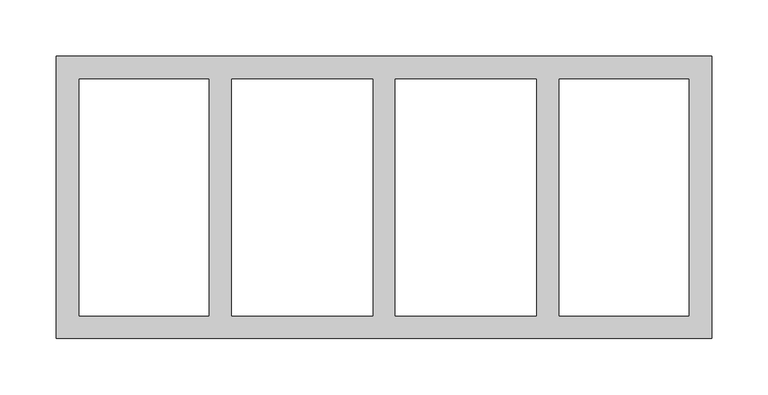
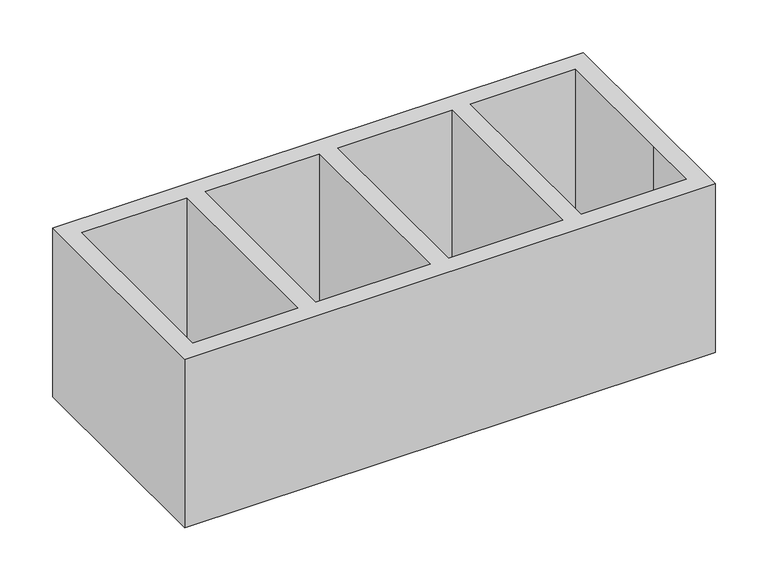
"""IFC4 building model written with IfcOpenShell, lengths in millimetres: proxy geometry."""

from ifc_helpers import new_model, si_unit, origin, origin_with_axes, place, context, project, spatial, polyline, outline, extrude, source, transform, mapped, element, save


def generic_models_b471ab28(model_context):
    return source(origin(), model_context, "Body", "SweptSolid", [
        extrude(outline(polyline([(-290.0, 125.0), (290.0, 125.0), (290.0, -125.0), (-290.0, -125.0), (-290.0, 125.0)]), holes=[polyline([(270.0, 105.0), (155.0, 105.0), (155.0, -105.0), (270.0, -105.0), (270.0, -42.5), (270.0, 105.0)]), polyline([(10.0, 105.0), (10.0, -105.0), (135.0, -105.0), (135.0, 105.0), (10.0, 105.0)]), polyline([(-135.0, -105.0), (-10.0, -105.0), (-10.0, 105.0), (-135.0, 105.0), (-135.0, -105.0)]), polyline([(-270.0, 105.0), (-270.0, -42.5), (-270.0, -105.0), (-155.0, -105.0), (-155.0, 105.0), (-270.0, 105.0)])]), origin_with_axes(), (0.0, 0.0, 1.0), 195.0),
    ])


if __name__ == "__main__":
    model = new_model("IFC4")
    model_context = context("Model", 3, world=origin())
    ifc_project = project(units=[si_unit("LENGTHUNIT", "METRE", prefix="MILLI")], contexts=[model_context])
    site = spatial("IfcSite", under=ifc_project)
    building = spatial("IfcBuilding", under=site)
    placement = place(None, origin())
    generic_models_shape = generic_models_b471ab28(model_context)
    element("IfcBuildingElementProxy", 1, Name="Generic Models", at=placement, inside=building, context=model_context, shape_type="MappedRepresentation", body=[
        mapped(generic_models_shape, transform((0.0, 0.0, 0.0), x_axis=(1.0, 0.0, 0.0), y_axis=(0.0, 1.0, 0.0), z_axis=(0.0, 0.0, 1.0))),
    ])
    save(model, "model.ifc")
